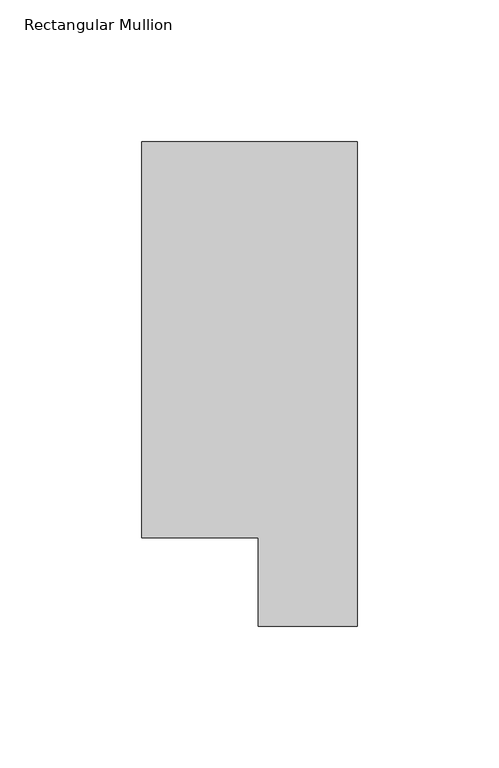
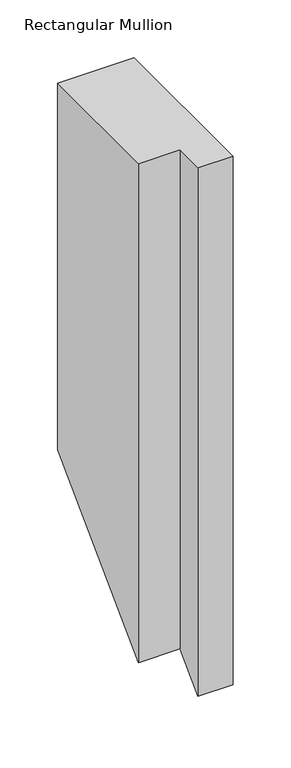
"""IFC4 building model written with IfcOpenShell, lengths in millimetres: member geometry, Rectangular Mullion."""

import ifcopenshell
import ifcopenshell.guid

model = None  # the IFC model being written
_history = None  # IfcOwnerHistory: only IFC2X3 demands one
_inside = {}  # id of a spatial element -> (the spatial element, [elements in it])
_under = {}  # id of a project, library or spatial element -> (it, [spatial elements below it])
_declared = {}  # id of a project -> (the project, [libraries it declares])
_typed = {}  # id of a type object -> (the type object, [elements of that type])
_made_of = {}  # id of a material, layer set ... -> (it, [elements and type objects made of it])


def new_model(schema):
    """Start an empty IFC model of exactly this schema.

    Asked for "IFC4X3", IfcOpenShell would pick the latest addendum, in which some entities
    have other attributes; the version numbers below select the first issue.
    IFC2X3 requires an IfcOwnerHistory on every rooted entity: one is made here for all.
    """
    global model, _history
    if schema == "IFC4X3":
        model = ifcopenshell.file(schema_version=(4, 3, 0, 0))
    else:
        model = ifcopenshell.file(schema=schema)
    _inside.clear()
    _under.clear()
    _declared.clear()
    _typed.clear()
    _made_of.clear()
    _history = None
    if model.schema == "IFC2X3":
        org = make("IfcOrganization", Name="unknown")
        user = make(
            "IfcPersonAndOrganization",
            ThePerson=make("IfcPerson", FamilyName="unknown"),
            TheOrganization=org,
        )
        app = make(
            "IfcApplication",
            ApplicationDeveloper=org,
            Version="unknown",
            ApplicationFullName="unknown",
            ApplicationIdentifier="unknown",
        )
        _history = make(
            "IfcOwnerHistory",
            OwningUser=user,
            OwningApplication=app,
            ChangeAction="ADDED",
            CreationDate=0,
        )
    return model


def make(cls, **values):
    """One entity of the class cls with the attributes given. An attribute that is None is left unset."""
    return model.create_entity(
        cls, **{name: value for name, value in values.items() if value is not None}
    )


def rooted(cls, **values):
    """An entity with a GlobalId (a new one), such as an element, a storey or a relation."""
    return make(cls, GlobalId=ifcopenshell.guid.new(), OwnerHistory=_history, **values)


def si_unit(unit_type, name, prefix=None):
    """IfcSIUnit, for example si_unit("LENGTHUNIT", "METRE", prefix="MILLI")."""
    return make("IfcSIUnit", UnitType=unit_type, Prefix=prefix, Name=name)


def assignment(units):
    """IfcUnitAssignment: the units of a project."""
    return None if units is None else make("IfcUnitAssignment", Units=units)


def point(xyz):
    """IfcCartesianPoint."""
    return None if xyz is None else make("IfcCartesianPoint", Coordinates=xyz)


def direction(xyz):
    """IfcDirection."""
    return None if xyz is None else make("IfcDirection", DirectionRatios=xyz)


def frame(location, z_axis=None, x_axis=None):
    """IfcAxis2Placement3D, a coordinate frame: its origin and axes. An axis left out is left unset."""
    return make(
        "IfcAxis2Placement3D",
        Location=point(location),
        Axis=direction(z_axis),
        RefDirection=direction(x_axis),
    )


def origin():
    """The frame at (0, 0, 0) with its axes left unset."""
    return frame((0.0, 0.0, 0.0))


def place(relative_to, where):
    """IfcLocalPlacement: puts the frame where relative to a parent placement (None: the world)."""
    return make(
        "IfcLocalPlacement", PlacementRelTo=relative_to, RelativePlacement=where
    )


def context(
    kind, dimensions, precision=None, world=None, true_north=None, identifier=None
):
    """IfcGeometricRepresentationContext, for example the 3D "Model" context."""
    return make(
        "IfcGeometricRepresentationContext",
        ContextIdentifier=identifier,
        ContextType=kind,
        CoordinateSpaceDimension=dimensions,
        Precision=precision,
        WorldCoordinateSystem=world,
        TrueNorth=true_north,
    )


def project(units=None, contexts=None):
    """IfcProject with its units and contexts."""
    return rooted(
        "IfcProject",
        Name="project",
        RepresentationContexts=contexts,
        UnitsInContext=assignment(units),
    )


def spatial(cls, under=None, at=None, **own):
    """A site, building, storey or space (cls), placed at a placement, below another one or the project."""
    s = rooted(cls, ObjectPlacement=at, **own)
    if under is not None:
        _under.setdefault(under.id(), (under, []))[1].append(s)
    return s


def faces_of(points, faces, orient=None, outer=None):
    """IfcFace entities. A face is a list of loops; a loop is a list of indices into points, from 0.

    orient and outer hold one flag for each loop. By default every Orientation is true, the
    first loop of a face is its IfcFaceOuterBound and the others are IfcFaceBound.
    """
    made = []
    for i, loops in enumerate(faces):
        bounds = []
        for j, loop in enumerate(loops):
            is_outer = j == 0 if outer is None else outer[i][j]
            bounds.append(
                make(
                    "IfcFaceOuterBound" if is_outer else "IfcFaceBound",
                    Bound=make("IfcPolyLoop", Polygon=[points[k] for k in loop]),
                    Orientation=True if orient is None else orient[i][j],
                )
            )
        made.append(make("IfcFace", Bounds=bounds))
    return made


def faceted_brep(points, faces, orient=None, outer=None, voids=None):
    """IfcFacetedBrep: a solid bounded by flat faces; with voids (closed shells), ...WithVoids."""
    shared = [point(p) for p in points]
    hull = make("IfcClosedShell", CfsFaces=faces_of(shared, faces, orient, outer))
    if voids is None:
        return make("IfcFacetedBrep", Outer=hull)
    return make(
        "IfcFacetedBrepWithVoids",
        Outer=hull,
        Voids=[
            make(cls, CfsFaces=faces_of(shared, fs, o, b)) for cls, fs, o, b in voids
        ],
    )


def shape(context_of_items, identifier, shape_type, items):
    """IfcShapeRepresentation: the items that make up one representation, for example the "Body"."""
    return make(
        "IfcShapeRepresentation",
        ContextOfItems=context_of_items,
        RepresentationIdentifier=identifier,
        RepresentationType=shape_type,
        Items=items,
    )


def source(mapping_origin, context_of_items, identifier, shape_type, items):
    """IfcRepresentationMap: a shape defined once, which mapped items show again and again."""
    return make(
        "IfcRepresentationMap",
        MappingOrigin=mapping_origin,
        MappedRepresentation=shape(context_of_items, identifier, shape_type, items),
    )


def transform(
    local_origin,
    x_axis=None,
    y_axis=None,
    z_axis=None,
    scale=None,
    scale2=None,
    scale3=None,
    uniform=True,
):
    """IfcCartesianTransformationOperator3D, or its non-uniform kind. x_axis, y_axis, z_axis: its Axis1, 2, 3."""
    if uniform:
        return make(
            "IfcCartesianTransformationOperator3D",
            Axis1=direction(x_axis),
            Axis2=direction(y_axis),
            LocalOrigin=point(local_origin),
            Scale=scale,
            Axis3=direction(z_axis),
        )
    return make(
        "IfcCartesianTransformationOperator3DnonUniform",
        Axis1=direction(x_axis),
        Axis2=direction(y_axis),
        LocalOrigin=point(local_origin),
        Scale=scale,
        Axis3=direction(z_axis),
        Scale2=scale2,
        Scale3=scale3,
    )


def mapped(mapping_source, mapping_target):
    """IfcMappedItem: shows the shape of a source again, moved by a transform."""
    return make(
        "IfcMappedItem", MappingSource=mapping_source, MappingTarget=mapping_target
    )


def made_of(thing, what):
    """Note that an element or type object is made of a material, layer set ...; save() writes the relation."""
    if what is not None:
        _made_of.setdefault(what.id(), (what, []))[1].append(thing)
    return thing


def element(
    cls,
    number,
    at=None,
    inside=None,
    cuts=None,
    type_object=None,
    material=None,
    context=None,
    identifier="Body",
    shape_type=None,
    held_by="IfcProductDefinitionShape",
    body=None,
    shapes=None,
    **own,
):
    """One element of the class cls, such as IfcWall. Its Tag is "e" and its number.

    at: its placement. inside: the storey or other place that contains it. cuts: it is an
    opening in that element (IfcRelVoidsElement). A single representation is given by context,
    identifier, shape_type and body (its items); several are given by shapes. held_by: the class
    of the entity that holds the representations. save() writes the other relations.
    """
    e = rooted(cls, Tag="e%d" % number, ObjectPlacement=at, **own)
    if body is not None:
        shapes = [shape(context, identifier, shape_type, body)]
    if shapes is not None:
        e.Representation = make(held_by, Representations=shapes)
    if inside is not None:
        _inside.setdefault(inside.id(), (inside, []))[1].append(e)
    if cuts is not None:
        rooted(
            "IfcRelVoidsElement", RelatingBuildingElement=cuts, RelatedOpeningElement=e
        )
    if type_object is not None:
        _typed.setdefault(type_object.id(), (type_object, []))[1].append(e)
    return made_of(e, material)


def aggregate(whole, parts):
    """IfcRelAggregates: a whole, such as a stair, and the parts it consists of."""
    return rooted("IfcRelAggregates", RelatingObject=whole, RelatedObjects=parts)


def save(model, path):
    """Write the relations noted so far, then the file.

    IfcRelAggregates (storeys below a building ...), IfcRelContainedInSpatialStructure (elements
    in a storey), IfcRelDefinesByType, IfcRelAssociatesMaterial and IfcRelDeclares: one each for
    every whole, place, type object, material and project.
    """
    for whole, parts in _under.values():
        aggregate(whole, parts)
    for where, things in _inside.values():
        rooted(
            "IfcRelContainedInSpatialStructure",
            RelatedElements=things,
            RelatingStructure=where,
        )
    for kind, things in _typed.values():
        rooted("IfcRelDefinesByType", RelatedObjects=things, RelatingType=kind)
    for what, things in _made_of.values():
        rooted("IfcRelAssociatesMaterial", RelatedObjects=things, RelatingMaterial=what)
    for by, libraries in _declared.values():
        rooted("IfcRelDeclares", RelatingContext=by, RelatedDefinitions=libraries)
    model.write(path)


def rectangular_mullion_dfcdceb8(model_context):
    return source(origin(), model_context, "Body", "Brep", [
        faceted_brep([(-76.2, 190.7881317, 0.0), (-76.2, 50.8087306, 0.0), (-34.9123, 50.8087306, 0.0), (-34.9123, 19.5667317, 0.0), (0.0, 19.5667317, 0.0), (0.0, 190.7881317, 0.0), (-76.2, 190.7881317, -386.7737371), (-76.2, 50.8087306, -526.7531382), (-34.9123, 50.8087306, -526.7531382), (-34.9123, 19.5667317, -557.9951371), (0.0, 19.5667317, -557.9951371), (0.0, 190.7881317, -386.7737371)], [[[0, 1, 2, 3, 4, 5]], [[1, 0, 6, 7]], [[2, 1, 7, 8]], [[3, 2, 8, 9]], [[4, 3, 9, 10]], [[5, 4, 10, 11]], [[0, 5, 11, 6]], [[6, 11, 10, 9, 8, 7]]]),
    ])


if __name__ == "__main__":
    model = new_model("IFC4")
    model_context = context("Model", 3, world=origin())
    ifc_project = project(units=[si_unit("LENGTHUNIT", "METRE", prefix="MILLI")], contexts=[model_context])
    site = spatial("IfcSite", under=ifc_project)
    building = spatial("IfcBuilding", under=site)
    placement = place(None, origin())
    rectangular_mullion_shape = rectangular_mullion_dfcdceb8(model_context)
    element("IfcMember", 1, ObjectType="Rectangular Mullion", at=placement, inside=building, context=model_context, shape_type="MappedRepresentation", body=[
        mapped(rectangular_mullion_shape, transform((0.0, 0.0, 0.0), x_axis=(1.0, 0.0, 0.0), y_axis=(0.0, 1.0, 0.0), z_axis=(0.0, 0.0, 1.0))),
    ])
    save(model, "model.ifc")
